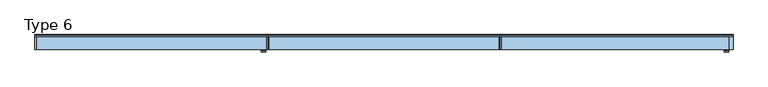
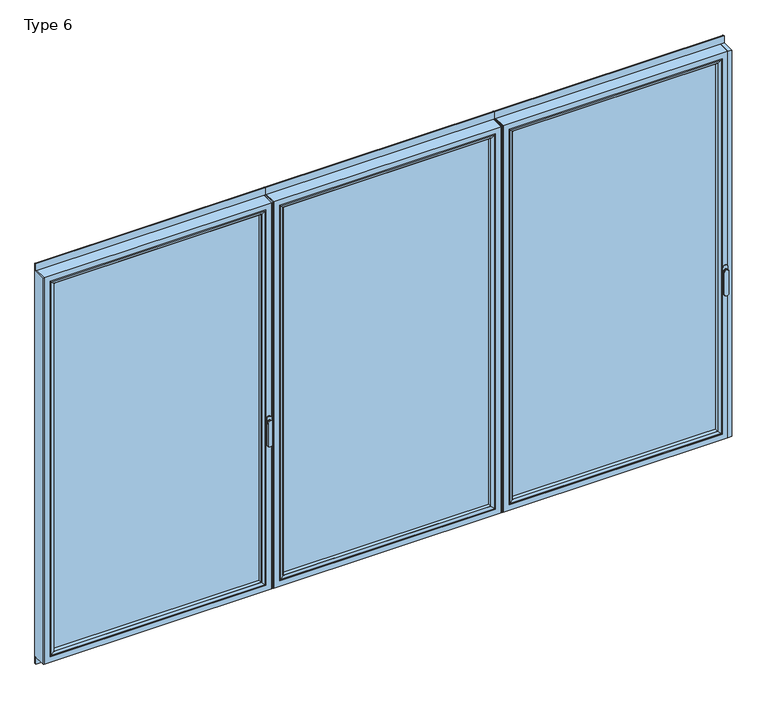
"""IFC4 building model written with IfcOpenShell, lengths in millimetres: window geometry, Type 6."""

from ifc_helpers import new_model, si_unit, point, frame, frame_2d, origin, place, context, project, spatial, polyline, circle_curve, ellipse_curve, trimmed, segment, composite_curve, outline, extrude, source, transform, mapped, element, save
from ifc_brep_helpers import plane_surface, cylinder_surface, extruded_surface, advanced_brep


def type_6_910dae35(model_context):
    return source(origin(), model_context, "Body", "SolidModel", [
        advanced_brep(
        [(-2571.3219146, -63.5, 1050.0), (-2547.344653, -63.5, 1050.0), (-2547.344653, -66.8965533, 1050.0), (-2571.3219146, -66.8965533, 1050.0), (-2571.3219146, -74.5, 1050.0), (-2571.3219146, -74.5, 918.6867153), (-2547.344653, -74.5, 918.6867153), (-2547.344653, -74.5, 1050.0), (-2547.344653, -66.8965533, 918.6867153), (-2571.3219146, -66.8965533, 918.6867153)],
        [
            (0, 1, circle_curve(frame((-2559.3332838, -63.5, 1050.0), z_axis=(0.0, 1.0, 0.0), x_axis=(1.0, 0.0, 0.0)), 11.9886308)),
            (1, 0, circle_curve(frame((-2559.3332838, -63.5, 1050.0), z_axis=(0.0, 1.0, 0.0), x_axis=(1.0, 0.0, 0.0)), 11.9886308)),
            (1, 2),
            (2, 3, circle_curve(frame((-2559.3332838, -66.8965533, 1050.0), z_axis=(0.0, 1.0, 0.0), x_axis=(1.0, 0.0, 0.0)), 11.9886308)),
            (3, 0),
            (3, 2, circle_curve(frame((-2559.3332838, -66.8965533, 1050.0), z_axis=(0.0, 1.0, 0.0), x_axis=(1.0, 0.0, 0.0)), 11.9886308)),
            (4, 5),
            (5, 6, ellipse_curve(frame((-2559.3332838, -74.5, 918.6867153), z_axis=(0.0, -1.0, 0.0), x_axis=(-1.0, 0.0, 0.0)), 11.9886308, 7.9050795)),
            (6, 7),
            (7, 4, circle_curve(frame((-2559.3332838, -74.5, 1050.0), z_axis=(0.0, -1.0, 0.0), x_axis=(1.0, 0.0, 0.0)), 11.9886308)),
            (2, 8),
            (8, 9, ellipse_curve(frame((-2559.3332838, -66.8965533, 918.6867153), z_axis=(0.0, 1.0, 0.0), x_axis=(-1.0, 0.0, 0.0)), 11.9886308, 7.9050795)),
            (9, 3),
            (4, 3),
            (9, 5),
            (8, 6),
            (2, 7),
        ],
        [
            plane_surface(frame((-2547.344653, -63.5, 1050.0), z_axis=(0.0, 1.0, 0.0), x_axis=(0.0, 0.0, -1.0))),
            cylinder_surface(frame((-2559.3332838, -63.5, 1050.0), z_axis=(0.0, -1.0, 0.0), x_axis=(1.0, 0.0, 0.0)), 11.9886308),
            plane_surface(frame((-2571.3219146, -74.5, 928.3382074), z_axis=(0.0, -1.0, 0.0), x_axis=(0.0, 0.0, -1.0))),
            plane_surface(frame((-2571.3219146, -66.8965533, 928.3382074), z_axis=(0.0, 1.0, 0.0), x_axis=(0.0, 0.0, 1.0))),
            plane_surface(frame((-2571.3219146, -74.5, 1050.0), z_axis=(-1.0, 0.0, 0.0), x_axis=(0.0, 1.0, 0.0))),
            extruded_surface(trimmed(ellipse_curve(frame((-2559.3332838, -59.2931066, 918.6867153), z_axis=(0.0, -1.0, 0.0), x_axis=(-1.0, 0.0, 0.0)), 11.9886308, 7.9050795), [point((-2571.3219146, -59.2931066, 918.6867153))], [point((-2547.344653, -59.2931066, 918.6867153))], True, "CARTESIAN"), (0.0, -7.603446699999992, 0.0), 7.603446699999992),
            plane_surface(frame((-2547.344653, -74.5, 918.6867153), z_axis=(1.0, 0.0, 0.0), x_axis=(0.0, 1.0, 0.0))),
            cylinder_surface(frame((-2559.3332838, -66.8965533, 1050.0), z_axis=(0.0, -1.0, 0.0), x_axis=(1.0, 0.0, 0.0)), 11.9886308),
        ],
        [
            (0, [[1, 2]]),
            (1, [[-2, 3, 4, 5]]),
            (1, [[-1, -5, 6, -3]]),
            (2, [[7, 8, 9, 10]]),
            (3, [[11, 12, 13, -4]]),
            (4, [[-7, 14, -13, 15]]),
            (5, [[-8, -15, -12, 16]]),
            (6, [[-9, -16, -11, 17]]),
            (7, [[-10, -17, -6, -14]]),
        ],
    ),
        extrude(outline(composite_curve([segment(polyline([(1068.75, -2573.3332838), (1031.25, -2573.3332838)]), True, "CONTINUOUS"), segment(trimmed(circle_curve(frame_2d((1031.25, -2559.3332838)), 14.0), [point((1031.25, -2573.3332838))], [point((1031.25, -2545.3332838))], False, "CARTESIAN"), True, "CONTINUOUS"), segment(polyline([(1031.25, -2545.3332838), (1068.75, -2545.3332838)]), True, "CONTINUOUS"), segment(trimmed(circle_curve(frame_2d((1068.75, -2559.3332838)), 14.0), [point((1068.75, -2545.3332838))], [point((1068.75, -2573.3332838))], False, "CARTESIAN"), True, "CONTINUOUS")], self_intersect=False)), frame((0.0, -63.5, 0.0), z_axis=(0.0, 1.0, 0.0), x_axis=(0.0, 0.0, 1.0)), (0.0, 0.0, 1.0), 3.5),
        extrude(outline(polyline([(-3805.9999505, 20.0), (-3799.9999505, 20.0), (-3799.9999505, -60.0), (-3805.9999505, -60.0), (-3805.9999505, 20.0)])), frame((0.0, 0.0, 66.0), z_axis=(0.0, 0.0, 1.0), x_axis=(1.0, 0.0, 0.0)), (0.0, 0.0, 1.0), 2258.0),
        extrude(outline(polyline([(-2537.3332838, 20.0), (-2537.3332838, -60.0), (-2543.3332838, -60.0), (-2543.3332838, 20.0), (-2537.3332838, 20.0)])), frame((0.0, 0.0, 66.0), z_axis=(0.0, 0.0, 1.0), x_axis=(1.0, 0.0, 0.0)), (0.0, 0.0, 1.0), 2258.0),
        advanced_brep(
        [(-3799.9999505, -60.0, 2324.0), (-3799.9999505, 20.0, 2324.0), (-3799.9999505, 20.0, 66.0), (-3799.9999505, -60.0, 66.0), (-2543.3332838, 20.0, 66.0), (-2543.3332838, -60.0, 66.0), (-2543.3332838, 20.0, 2324.0), (-2588.8329131, 20.0, 111.4996293), (-2588.8329131, 20.0, 2278.5003707), (-3754.5003212, 20.0, 2278.5003707), (-3754.5003212, 20.0, 111.4996293), (-2543.3332838, -60.0, 2324.0), (-3767.9999505, -60.0, 98.0), (-3767.9999505, -60.0, 2292.0), (-2575.3332838, -60.0, 2292.0), (-2575.3332838, -60.0, 98.0), (-3767.9999505, 3.9999997, 2292.0), (-3767.9999505, 3.9999997, 98.0), (-2575.3332838, 3.9999997, 98.0), (-2575.3332838, 3.9999997, 2292.0), (-3749.9999385, 3.9999997, 116.000012), (-3749.9999385, 3.9999997, 2273.999988), (-2593.3332958, 3.9999997, 2273.999988), (-2593.3332958, 3.9999997, 116.000012), (-3749.9999385, 15.4995565, 2273.999988), (-3749.9999385, 15.4995565, 116.000012), (-2593.3332958, 15.4995565, 116.000012), (-2593.3332958, 15.4995565, 2273.999988)],
        [
            (0, 1),
            (1, 2),
            (2, 3),
            (3, 0),
            (2, 4),
            (4, 5),
            (5, 3),
            (1, 6),
            (6, 4),
            (7, 8),
            (8, 9),
            (9, 10),
            (10, 7),
            (6, 11),
            (11, 5),
            (11, 0),
            (12, 13),
            (13, 14),
            (14, 15),
            (15, 12),
            (16, 13),
            (12, 17),
            (17, 16),
            (15, 18),
            (18, 17),
            (14, 19),
            (19, 18),
            (19, 16),
            (20, 21),
            (21, 22),
            (22, 23),
            (23, 20),
            (24, 21),
            (20, 25),
            (25, 24),
            (23, 26),
            (26, 25),
            (22, 27),
            (27, 26),
            (10, 25, ellipse_curve(frame((-3754.5003212, 15.4995565, 111.4996293), z_axis=(0.7071067811865475, 0.0, -0.7071067811865475), x_axis=(-0.7071067811865476, 0.0, -0.7071067811865474)), 6.3645023, 4.5003827)),
            (26, 7, ellipse_curve(frame((-2588.8329131, 15.4995565, 111.4996293), z_axis=(-0.7071067811865475, 0.0, -0.7071067811865475), x_axis=(-0.7071067811865476, 0.0, 0.7071067811865474)), 6.3645023, 4.5003827)),
            (9, 24, ellipse_curve(frame((-3754.5003212, 15.4995565, 2278.5003707), z_axis=(-0.7071067811865475, 0.0, -0.7071067811865475), x_axis=(-0.7071067811865474, 0.0, 0.7071067811865476)), 6.3645023, 4.5003827)),
            (27, 8, ellipse_curve(frame((-2588.8329131, 15.4995565, 2278.5003707), z_axis=(0.7071067811865475, 0.0, -0.7071067811865475), x_axis=(-0.7071067811865474, 0.0, -0.7071067811865476)), 6.3645023, 4.5003827)),
            (24, 27),
        ],
        [
            plane_surface(frame((-3799.9999505, 20.0, 2324.0), z_axis=(-1.0, 0.0, 0.0), x_axis=(0.0, 0.0, -1.0))),
            plane_surface(frame((-3799.9999505, 20.0, 66.0), z_axis=(0.0, 0.0, -1.0), x_axis=(1.0, 0.0, 0.0))),
            plane_surface(frame((-3754.5003212, 20.0, 2278.5003707), z_axis=(0.0, 1.0, 0.0), x_axis=(0.0, 0.0, -1.0))),
            plane_surface(frame((-2543.3332838, 20.0, 66.0), z_axis=(1.0, 0.0, 0.0), x_axis=(0.0, 0.0, 1.0))),
            plane_surface(frame((-3799.9999505, -60.0, 2324.0), z_axis=(0.0, -1.0, 0.0), x_axis=(0.0, 0.0, -1.0))),
            plane_surface(frame((-3767.9999505, -60.0, 2292.0), z_axis=(1.0, 0.0, 0.0), x_axis=(0.0, 0.0, -1.0))),
            plane_surface(frame((-3767.9999505, -60.0, 98.0), z_axis=(0.0, 0.0, 1.0), x_axis=(1.0, 0.0, 0.0))),
            plane_surface(frame((-2575.3332838, -60.0, 98.0), z_axis=(-1.0, 0.0, 0.0), x_axis=(0.0, 0.0, 1.0))),
            plane_surface(frame((-3767.9999505, 3.9999997, 2292.0), z_axis=(0.0, -1.0, 0.0), x_axis=(0.0, 0.0, -1.0))),
            plane_surface(frame((-3749.9999385, 3.9999997, 2273.999988), z_axis=(1.0, 0.0, 0.0), x_axis=(0.0, 0.0, -1.0))),
            plane_surface(frame((-3749.9999385, 3.9999997, 116.000012), z_axis=(0.0, 0.0, 1.0), x_axis=(1.0, 0.0, 0.0))),
            plane_surface(frame((-2593.3332958, 3.9999997, 116.000012), z_axis=(-1.0, 0.0, 0.0), x_axis=(0.0, 0.0, 1.0))),
            cylinder_surface(frame((-3805.9999505, 15.4995565, 111.4996293), z_axis=(-1.0, 0.0, 0.0), x_axis=(0.0, -1.0, 0.0)), 4.5003827),
            cylinder_surface(frame((-3754.5003212, 15.4995565, 2330.0), z_axis=(0.0, 0.0, 1.0), x_axis=(0.0, -1.0, 0.0)), 4.5003827),
            cylinder_surface(frame((-2588.8329131, 15.4995565, 60.0), z_axis=(0.0, 0.0, -1.0), x_axis=(0.0, -1.0, 0.0)), 4.5003827),
            plane_surface(frame((-2543.3332838, 20.0, 2324.0), z_axis=(0.0, 0.0, 1.0), x_axis=(-1.0, 0.0, 0.0))),
            plane_surface(frame((-2575.3332838, -60.0, 2292.0), z_axis=(0.0, 0.0, -1.0), x_axis=(-1.0, 0.0, 0.0))),
            plane_surface(frame((-2593.3332958, 3.9999997, 2273.999988), z_axis=(0.0, 0.0, -1.0), x_axis=(-1.0, 0.0, 0.0))),
            cylinder_surface(frame((-2537.3332838, 15.4995565, 2278.5003707), z_axis=(1.0, 0.0, 0.0), x_axis=(0.0, -1.0, 0.0)), 4.5003827),
        ],
        [
            (0, [[1, 2, 3, 4]]),
            (1, [[-3, 5, 6, 7]]),
            (2, [[-2, 8, 9, -5], [10, 11, 12, 13]]),
            (3, [[-6, -9, 14, 15]]),
            (4, [[-15, 16, -4, -7], [17, 18, 19, 20]]),
            (5, [[21, -17, 22, 23]]),
            (6, [[-22, -20, 24, 25]]),
            (7, [[-24, -19, 26, 27]]),
            (8, [[-27, 28, -23, -25], [29, 30, 31, 32]]),
            (9, [[33, -29, 34, 35]]),
            (10, [[-34, -32, 36, 37]]),
            (11, [[-36, -31, 38, 39]]),
            (12, [[40, -37, 41, -13]]),
            (13, [[42, -35, -40, -12]]),
            (14, [[-41, -39, 43, -10]]),
            (15, [[-14, -8, -1, -16]]),
            (16, [[-26, -18, -21, -28]]),
            (17, [[-38, -30, -33, 44]]),
            (18, [[-43, -44, -42, -11]]),
        ],
    ),
        extrude(outline(polyline([(-3767.9996333, 3.9999997), (-2575.333601, 3.9999997), (-2575.333601, -34.0000003), (-3767.9996333, -34.0000003), (-3767.9996333, 3.9999997)])), frame((0.0, 0.0, 98.0003172), z_axis=(0.0, 0.0, 1.0), x_axis=(1.0, 0.0, 0.0)), (0.0, 0.0, 1.0), 2193.9993657),
        advanced_brep(
        [(-2597.3331737, -54.5552044, 2270.0001101), (-2597.3331737, -34.0000003, 2270.0001101), (-2597.3331737, -34.0000003, 119.9998899), (-2597.3331737, -54.5552044, 119.9998899), (-2575.333601, -34.0000003, 2291.9996828), (-2575.333601, -34.0000003, 98.0003172), (-3767.9996333, -34.0000003, 98.0003172), (-3767.9996333, -34.0000003, 2291.9996828), (-3746.0000606, -34.0000003, 2270.0001101), (-3746.0000606, -34.0000003, 119.9998899), (-3746.0000606, -54.5552044, 119.9998899), (-2596.6236303, -55.8045072, 2270.7096535), (-2596.6236303, -55.8045072, 119.2903465), (-3746.709604, -55.8045072, 119.2903465), (-2581.3335399, -60.0, 2285.9997439), (-2581.3335399, -60.0, 104.0002561), (-3761.9996944, -60.0, 104.0002561), (-3767.9996333, -60.0, 2291.9996828), (-3767.9996333, -60.0, 98.0003172), (-2575.333601, -60.0, 98.0003172), (-2575.333601, -60.0, 2291.9996828), (-3761.9996944, -60.0, 2285.9997439), (-3746.0000606, -54.5552044, 2270.0001101), (-3746.709604, -55.8045072, 2270.7096535)],
        [
            (0, 1),
            (1, 2),
            (2, 3),
            (3, 0),
            (4, 5),
            (5, 6),
            (6, 7),
            (7, 4),
            (8, 9),
            (9, 2),
            (1, 8),
            (9, 10),
            (10, 3),
            (11, 0, ellipse_curve(frame((-2595.8785698, -54.5552044, 2271.4547141), z_axis=(0.7071067811865475, 0.0, -0.7071067811865475), x_axis=(0.7071067811865474, 0.0, 0.7071067811865476)), 2.0571207, 1.454604)),
            (3, 12, ellipse_curve(frame((-2595.8785698, -54.5552044, 118.5452859), z_axis=(0.7071067811865475, 0.0, 0.7071067811865475), x_axis=(-0.7071067811865474, 0.0, 0.7071067811865476)), 2.0571207, 1.454604)),
            (12, 11),
            (10, 13, ellipse_curve(frame((-3747.4546645, -54.5552044, 118.5452859), z_axis=(0.7071067811865475, 0.0, -0.7071067811865475), x_axis=(0.7071067811865476, 0.0, 0.7071067811865474)), 2.0571207, 1.454604)),
            (13, 12),
            (14, 11, ellipse_curve(frame((-2581.3974755, -30.2735922, 2285.9358083), z_axis=(0.7071067811865475, 0.0, -0.7071067811865475), x_axis=(0.7071067811865474, 0.0, 0.7071067811865476)), 42.0395863, 29.7264765)),
            (12, 15, ellipse_curve(frame((-2581.3974755, -30.2735922, 104.0641917), z_axis=(0.7071067811865475, 0.0, 0.7071067811865475), x_axis=(-0.7071067811865474, 0.0, 0.7071067811865476)), 42.0395863, 29.7264765)),
            (15, 14),
            (13, 16, ellipse_curve(frame((-3761.9357588, -30.2735922, 104.0641917), z_axis=(0.7071067811865475, 0.0, -0.7071067811865475), x_axis=(0.7071067811865476, 0.0, 0.7071067811865474)), 42.0395863, 29.7264765)),
            (16, 15),
            (17, 18),
            (18, 19),
            (19, 20),
            (20, 17),
            (16, 21),
            (21, 14),
            (4, 20),
            (19, 5),
            (18, 6),
            (8, 22),
            (22, 10),
            (22, 23, ellipse_curve(frame((-3747.4546645, -54.5552044, 2271.4547141), z_axis=(-0.7071067811865475, 0.0, -0.7071067811865475), x_axis=(0.7071067811865474, 0.0, -0.7071067811865476)), 2.0571207, 1.454604)),
            (23, 13),
            (23, 21, ellipse_curve(frame((-3761.9357588, -30.2735922, 2285.9358083), z_axis=(-0.7071067811865475, 0.0, -0.7071067811865475), x_axis=(0.7071067811865474, 0.0, -0.7071067811865476)), 42.0395863, 29.7264765)),
            (17, 7),
            (0, 22),
            (11, 23),
        ],
        [
            plane_surface(frame((-2597.3331737, -34.0000003, 2270.0001101), z_axis=(-1.0, 0.0, 0.0), x_axis=(0.0, 0.0, -1.0))),
            plane_surface(frame((-3767.9996333, -34.0000003, 98.0003172), z_axis=(0.0, 1.0, 0.0), x_axis=(0.0, 0.0, 1.0))),
            plane_surface(frame((-2597.3331737, -34.0000003, 119.9998899), z_axis=(0.0, 0.0, 1.0), x_axis=(-1.0, 0.0, 0.0))),
            cylinder_surface(frame((-2595.8785698, -54.5552044, 2273.999988), z_axis=(0.0, 0.0, 1.0), x_axis=(1.0, 0.0, 0.0)), 1.454604),
            cylinder_surface(frame((-2593.3332958, -54.5552044, 118.5452859), z_axis=(1.0, 0.0, 0.0), x_axis=(0.0, 0.0, -1.0)), 1.454604),
            cylinder_surface(frame((-2581.3974755, -30.2735922, 2273.999988), z_axis=(0.0, 0.0, 1.0), x_axis=(1.0, 0.0, 0.0)), 29.7264765),
            cylinder_surface(frame((-2593.3332958, -30.2735922, 104.0641917), z_axis=(1.0, 0.0, 0.0), x_axis=(0.0, 0.0, -1.0)), 29.7264765),
            plane_surface(frame((-3761.9996944, -60.0, 104.0002561), z_axis=(0.0, -1.0, 0.0), x_axis=(0.0, 0.0, 1.0))),
            plane_surface(frame((-2575.333601, -60.0, 2291.9996828), z_axis=(1.0, 0.0, 0.0), x_axis=(0.0, 0.0, -1.0))),
            plane_surface(frame((-2575.333601, -60.0, 98.0003172), z_axis=(0.0, 0.0, -1.0), x_axis=(-1.0, 0.0, 0.0))),
            plane_surface(frame((-3746.0000606, -34.0000003, 119.9998899), z_axis=(1.0, 0.0, 0.0), x_axis=(0.0, 0.0, 1.0))),
            cylinder_surface(frame((-3747.4546645, -54.5552044, 116.000012), z_axis=(0.0, 0.0, -1.0), x_axis=(-1.0, 0.0, 0.0)), 1.454604),
            cylinder_surface(frame((-3761.9357588, -30.2735922, 116.000012), z_axis=(0.0, 0.0, -1.0), x_axis=(-1.0, 0.0, 0.0)), 29.7264765),
            plane_surface(frame((-3767.9996333, -60.0, 98.0003172), z_axis=(-1.0, 0.0, 0.0), x_axis=(0.0, 0.0, 1.0))),
            plane_surface(frame((-3746.0000606, -34.0000003, 2270.0001101), z_axis=(0.0, 0.0, -1.0), x_axis=(1.0, 0.0, 0.0))),
            cylinder_surface(frame((-3749.9999385, -54.5552044, 2271.4547141), z_axis=(-1.0, 0.0, 0.0), x_axis=(0.0, 0.0, 1.0)), 1.454604),
            cylinder_surface(frame((-3749.9999385, -30.2735922, 2285.9358083), z_axis=(-1.0, 0.0, 0.0), x_axis=(0.0, 0.0, 1.0)), 29.7264765),
            plane_surface(frame((-3767.9996333, -60.0, 2291.9996828), z_axis=(0.0, 0.0, 1.0), x_axis=(1.0, 0.0, 0.0))),
        ],
        [
            (0, [[1, 2, 3, 4]]),
            (1, [[5, 6, 7, 8], [9, 10, -2, 11]]),
            (2, [[-3, -10, 12, 13]]),
            (3, [[14, -4, 15, 16]]),
            (4, [[-15, -13, 17, 18]]),
            (5, [[19, -16, 20, 21]]),
            (6, [[-20, -18, 22, 23]]),
            (7, [[24, 25, 26, 27], [-21, -23, 28, 29]]),
            (8, [[30, -26, 31, -5]]),
            (9, [[-31, -25, 32, -6]]),
            (10, [[-12, -9, 33, 34]]),
            (11, [[-17, -34, 35, 36]]),
            (12, [[-22, -36, 37, -28]]),
            (13, [[-32, -24, 38, -7]]),
            (14, [[-33, -11, -1, 39]]),
            (15, [[-35, -39, -14, 40]]),
            (16, [[-37, -40, -19, -29]]),
            (17, [[-38, -27, -30, -8]]),
        ],
    ),
        extrude(outline(composite_curve([segment(polyline([(20.0, 2362.5), (20.0, 2324.0), (10.0, 2324.0), (10.0, 2365.0), (17.5, 2365.0)]), True, "CONTINUOUS"), segment(trimmed(circle_curve(frame_2d((17.5, 2362.5)), 2.5), [point((17.5, 2365.0))], [point((20.0, 2362.5))], False, "CARTESIAN"), True, "CONTINUOUS")], self_intersect=False)), frame((-3805.9999505, 0.0, 0.0), z_axis=(1.0, 0.0, 0.0), x_axis=(0.0, 1.0, 0.0)), (0.0, 0.0, 1.0), 1268.6666667),
        extrude(outline(composite_curve([segment(trimmed(circle_curve(frame_2d((17.5, 27.5)), 2.5), [point((20.0, 27.5))], [point((17.5, 25.0))], False, "CARTESIAN"), True, "CONTINUOUS"), segment(polyline([(17.5, 25.0), (10.0, 25.0), (10.0, 66.0), (20.0, 66.0), (20.0, 27.5)]), True, "CONTINUOUS")], self_intersect=False)), frame((-3805.9999505, 0.0, 0.0), z_axis=(1.0, 0.0, 0.0), x_axis=(0.0, 1.0, 0.0)), (0.0, 0.0, 1.0), 1268.6666667),
        advanced_brep(
        [(-47.9885978, -63.5, 1050.0), (-24.0113362, -63.5, 1050.0), (-24.0113362, -66.8965533, 1050.0), (-47.9885978, -66.8965533, 1050.0), (-47.9885978, -74.5, 1050.0), (-47.9885978, -74.5, 918.6867153), (-24.0113362, -74.5, 918.6867153), (-24.0113362, -74.5, 1050.0), (-24.0113362, -66.8965533, 918.6867153), (-47.9885978, -66.8965533, 918.6867153)],
        [
            (0, 1, circle_curve(frame((-35.999967, -63.5, 1050.0), z_axis=(0.0, 1.0, 0.0), x_axis=(1.0, 0.0, 0.0)), 11.9886308)),
            (1, 0, circle_curve(frame((-35.999967, -63.5, 1050.0), z_axis=(0.0, 1.0, 0.0), x_axis=(1.0, 0.0, 0.0)), 11.9886308)),
            (1, 2),
            (2, 3, circle_curve(frame((-35.999967, -66.8965533, 1050.0), z_axis=(0.0, 1.0, 0.0), x_axis=(1.0, 0.0, 0.0)), 11.9886308)),
            (3, 0),
            (3, 2, circle_curve(frame((-35.999967, -66.8965533, 1050.0), z_axis=(0.0, 1.0, 0.0), x_axis=(1.0, 0.0, 0.0)), 11.9886308)),
            (4, 5),
            (5, 6, ellipse_curve(frame((-35.999967, -74.5, 918.6867153), z_axis=(0.0, -1.0, 0.0), x_axis=(-1.0, 0.0, 0.0)), 11.9886308, 7.9050795)),
            (6, 7),
            (7, 4, circle_curve(frame((-35.999967, -74.5, 1050.0), z_axis=(0.0, -1.0, 0.0), x_axis=(1.0, 0.0, 0.0)), 11.9886308)),
            (2, 8),
            (8, 9, ellipse_curve(frame((-35.999967, -66.8965533, 918.6867153), z_axis=(0.0, 1.0, 0.0), x_axis=(-1.0, 0.0, 0.0)), 11.9886308, 7.9050795)),
            (9, 3),
            (4, 3),
            (9, 5),
            (8, 6),
            (2, 7),
        ],
        [
            plane_surface(frame((-24.0113362, -63.5, 1050.0), z_axis=(0.0, 1.0, 0.0), x_axis=(0.0, 0.0, -1.0))),
            cylinder_surface(frame((-35.999967, -63.5, 1050.0), z_axis=(0.0, -1.0, 0.0), x_axis=(1.0, 0.0, 0.0)), 11.9886308),
            plane_surface(frame((-47.9885978, -74.5, 928.3382074), z_axis=(0.0, -1.0, 0.0), x_axis=(0.0, 0.0, -1.0))),
            plane_surface(frame((-47.9885978, -66.8965533, 928.3382074), z_axis=(0.0, 1.0, 0.0), x_axis=(0.0, 0.0, 1.0))),
            plane_surface(frame((-47.9885978, -74.5, 1050.0), z_axis=(-1.0, 0.0, 0.0), x_axis=(0.0, 1.0, 0.0))),
            extruded_surface(trimmed(ellipse_curve(frame((-35.999967, -59.2931066, 918.6867153), z_axis=(0.0, -1.0, 0.0), x_axis=(-1.0, 0.0, 0.0)), 11.9886308, 7.9050795), [point((-47.9885978, -59.2931066, 918.6867153))], [point((-24.0113362, -59.2931066, 918.6867153))], True, "CARTESIAN"), (0.0, -7.603446699999992, 0.0), 7.603446699999992),
            plane_surface(frame((-24.0113362, -74.5, 918.6867153), z_axis=(1.0, 0.0, 0.0), x_axis=(0.0, 1.0, 0.0))),
            cylinder_surface(frame((-35.999967, -66.8965533, 1050.0), z_axis=(0.0, -1.0, 0.0), x_axis=(1.0, 0.0, 0.0)), 11.9886308),
        ],
        [
            (0, [[1, 2]]),
            (1, [[-2, 3, 4, 5]]),
            (1, [[-1, -5, 6, -3]]),
            (2, [[7, 8, 9, 10]]),
            (3, [[11, 12, 13, -4]]),
            (4, [[-7, 14, -13, 15]]),
            (5, [[-8, -15, -12, 16]]),
            (6, [[-9, -16, -11, 17]]),
            (7, [[-10, -17, -6, -14]]),
        ],
    ),
        extrude(outline(composite_curve([segment(polyline([(1068.75, -49.999967), (1031.25, -49.999967)]), True, "CONTINUOUS"), segment(trimmed(circle_curve(frame_2d((1031.25, -35.999967)), 14.0), [point((1031.25, -49.999967))], [point((1031.25, -21.999967))], False, "CARTESIAN"), True, "CONTINUOUS"), segment(polyline([(1031.25, -21.999967), (1068.75, -21.999967)]), True, "CONTINUOUS"), segment(trimmed(circle_curve(frame_2d((1068.75, -35.999967)), 14.0), [point((1068.75, -21.999967))], [point((1068.75, -49.999967))], False, "CARTESIAN"), True, "CONTINUOUS")], self_intersect=False)), frame((0.0, -63.5, 0.0), z_axis=(0.0, 1.0, 0.0), x_axis=(0.0, 0.0, 1.0)), (0.0, 0.0, 1.0), 3.5),
        extrude(outline(polyline([(-1268.6666337, 20.0), (-1262.6666337, 20.0), (-1262.6666337, -60.0), (-1268.6666337, -60.0), (-1268.6666337, 20.0)])), frame((0.0, 0.0, 66.0), z_axis=(0.0, 0.0, 1.0), x_axis=(1.0, 0.0, 0.0)), (0.0, 0.0, 1.0), 2258.0),
        extrude(outline(polyline([(3.3e-05, 20.0), (3.3e-05, -60.0), (-19.999967, -60.0), (-19.999967, 20.0), (3.3e-05, 20.0)])), frame((0.0, 0.0, 66.0), z_axis=(0.0, 0.0, 1.0), x_axis=(1.0, 0.0, 0.0)), (0.0, 0.0, 1.0), 2258.0),
        advanced_brep(
        [(-1262.6666337, -60.0, 2324.0), (-1262.6666337, 20.0, 2324.0), (-1262.6666337, 20.0, 66.0), (-1262.6666337, -60.0, 66.0), (-19.999967, 20.0, 66.0), (-19.999967, -60.0, 66.0), (-19.999967, 20.0, 2324.0), (-65.4995963, 20.0, 111.4996293), (-65.4995963, 20.0, 2278.5003707), (-1217.1670044, 20.0, 2278.5003707), (-1217.1670044, 20.0, 111.4996293), (-19.999967, -60.0, 2324.0), (-1230.6666337, -60.0, 98.0), (-1230.6666337, -60.0, 2292.0), (-51.999967, -60.0, 2292.0), (-51.999967, -60.0, 98.0), (-1230.6666337, 3.9999997, 2292.0), (-1230.6666337, 3.9999997, 98.0), (-51.999967, 3.9999997, 98.0), (-51.999967, 3.9999997, 2292.0), (-1212.6666217, 3.9999997, 116.000012), (-1212.6666217, 3.9999997, 2273.999988), (-69.9999789, 3.9999997, 2273.999988), (-69.9999789, 3.9999997, 116.000012), (-1212.6666217, 15.4995565, 2273.999988), (-1212.6666217, 15.4995565, 116.000012), (-69.9999789, 15.4995565, 116.000012), (-69.9999789, 15.4995565, 2273.999988)],
        [
            (0, 1),
            (1, 2),
            (2, 3),
            (3, 0),
            (2, 4),
            (4, 5),
            (5, 3),
            (1, 6),
            (6, 4),
            (7, 8),
            (8, 9),
            (9, 10),
            (10, 7),
            (6, 11),
            (11, 5),
            (11, 0),
            (12, 13),
            (13, 14),
            (14, 15),
            (15, 12),
            (16, 13),
            (12, 17),
            (17, 16),
            (15, 18),
            (18, 17),
            (14, 19),
            (19, 18),
            (19, 16),
            (20, 21),
            (21, 22),
            (22, 23),
            (23, 20),
            (24, 21),
            (20, 25),
            (25, 24),
            (23, 26),
            (26, 25),
            (22, 27),
            (27, 26),
            (10, 25, ellipse_curve(frame((-1217.1670044, 15.4995565, 111.4996293), z_axis=(0.7071067811865475, 0.0, -0.7071067811865475), x_axis=(-0.7071067811865476, 0.0, -0.7071067811865474)), 6.3645023, 4.5003827)),
            (26, 7, ellipse_curve(frame((-65.4995963, 15.4995565, 111.4996293), z_axis=(-0.7071067811865475, 0.0, -0.7071067811865475), x_axis=(-0.7071067811865476, 0.0, 0.7071067811865474)), 6.3645023, 4.5003827)),
            (9, 24, ellipse_curve(frame((-1217.1670044, 15.4995565, 2278.5003707), z_axis=(-0.7071067811865475, 0.0, -0.7071067811865475), x_axis=(-0.7071067811865474, 0.0, 0.7071067811865476)), 6.3645023, 4.5003827)),
            (27, 8, ellipse_curve(frame((-65.4995963, 15.4995565, 2278.5003707), z_axis=(0.7071067811865475, 0.0, -0.7071067811865475), x_axis=(-0.7071067811865474, 0.0, -0.7071067811865476)), 6.3645023, 4.5003827)),
            (24, 27),
        ],
        [
            plane_surface(frame((-1262.6666337, 20.0, 2324.0), z_axis=(-1.0, 0.0, 0.0), x_axis=(0.0, 0.0, -1.0))),
            plane_surface(frame((-1262.6666337, 20.0, 66.0), z_axis=(0.0, 0.0, -1.0), x_axis=(1.0, 0.0, 0.0))),
            plane_surface(frame((-1217.1670044, 20.0, 2278.5003707), z_axis=(0.0, 1.0, 0.0), x_axis=(0.0, 0.0, -1.0))),
            plane_surface(frame((-19.999967, 20.0, 66.0), z_axis=(1.0, 0.0, 0.0), x_axis=(0.0, 0.0, 1.0))),
            plane_surface(frame((-1262.6666337, -60.0, 2324.0), z_axis=(0.0, -1.0, 0.0), x_axis=(0.0, 0.0, -1.0))),
            plane_surface(frame((-1230.6666337, -60.0, 2292.0), z_axis=(1.0, 0.0, 0.0), x_axis=(0.0, 0.0, -1.0))),
            plane_surface(frame((-1230.6666337, -60.0, 98.0), z_axis=(0.0, 0.0, 1.0), x_axis=(1.0, 0.0, 0.0))),
            plane_surface(frame((-51.999967, -60.0, 98.0), z_axis=(-1.0, 0.0, 0.0), x_axis=(0.0, 0.0, 1.0))),
            plane_surface(frame((-1230.6666337, 3.9999997, 2292.0), z_axis=(0.0, -1.0, 0.0), x_axis=(0.0, 0.0, -1.0))),
            plane_surface(frame((-1212.6666217, 3.9999997, 2273.999988), z_axis=(1.0, 0.0, 0.0), x_axis=(0.0, 0.0, -1.0))),
            plane_surface(frame((-1212.6666217, 3.9999997, 116.000012), z_axis=(0.0, 0.0, 1.0), x_axis=(1.0, 0.0, 0.0))),
            plane_surface(frame((-69.9999789, 3.9999997, 116.000012), z_axis=(-1.0, 0.0, 0.0), x_axis=(0.0, 0.0, 1.0))),
            cylinder_surface(frame((-1268.6666337, 15.4995565, 111.4996293), z_axis=(-1.0, 0.0, 0.0), x_axis=(0.0, -1.0, 0.0)), 4.5003827),
            cylinder_surface(frame((-1217.1670044, 15.4995565, 2330.0), z_axis=(0.0, 0.0, 1.0), x_axis=(0.0, -1.0, 0.0)), 4.5003827),
            cylinder_surface(frame((-65.4995963, 15.4995565, 60.0), z_axis=(0.0, 0.0, -1.0), x_axis=(0.0, -1.0, 0.0)), 4.5003827),
            plane_surface(frame((-19.999967, 20.0, 2324.0), z_axis=(0.0, 0.0, 1.0), x_axis=(-1.0, 0.0, 0.0))),
            plane_surface(frame((-51.999967, -60.0, 2292.0), z_axis=(0.0, 0.0, -1.0), x_axis=(-1.0, 0.0, 0.0))),
            plane_surface(frame((-69.9999789, 3.9999997, 2273.999988), z_axis=(0.0, 0.0, -1.0), x_axis=(-1.0, 0.0, 0.0))),
            cylinder_surface(frame((-13.999967, 15.4995565, 2278.5003707), z_axis=(1.0, 0.0, 0.0), x_axis=(0.0, -1.0, 0.0)), 4.5003827),
        ],
        [
            (0, [[1, 2, 3, 4]]),
            (1, [[-3, 5, 6, 7]]),
            (2, [[-2, 8, 9, -5], [10, 11, 12, 13]]),
            (3, [[-6, -9, 14, 15]]),
            (4, [[-15, 16, -4, -7], [17, 18, 19, 20]]),
            (5, [[21, -17, 22, 23]]),
            (6, [[-22, -20, 24, 25]]),
            (7, [[-24, -19, 26, 27]]),
            (8, [[-27, 28, -23, -25], [29, 30, 31, 32]]),
            (9, [[33, -29, 34, 35]]),
            (10, [[-34, -32, 36, 37]]),
            (11, [[-36, -31, 38, 39]]),
            (12, [[40, -37, 41, -13]]),
            (13, [[42, -35, -40, -12]]),
            (14, [[-41, -39, 43, -10]]),
            (15, [[-14, -8, -1, -16]]),
            (16, [[-26, -18, -21, -28]]),
            (17, [[-38, -30, -33, 44]]),
            (18, [[-43, -44, -42, -11]]),
        ],
    ),
        extrude(outline(polyline([(-1230.6663165, 3.9999997), (-52.0002841, 3.9999997), (-52.0002841, -34.0000003), (-1230.6663165, -34.0000003), (-1230.6663165, 3.9999997)])), frame((0.0, 0.0, 98.0003172), z_axis=(0.0, 0.0, 1.0), x_axis=(1.0, 0.0, 0.0)), (0.0, 0.0, 1.0), 2193.9993657),
        advanced_brep(
        [(-73.9998569, -54.5552044, 2270.0001101), (-73.9998569, -34.0000003, 2270.0001101), (-73.9998569, -34.0000003, 119.9998899), (-73.9998569, -54.5552044, 119.9998899), (-52.0002841, -34.0000003, 2291.9996828), (-52.0002841, -34.0000003, 98.0003172), (-1230.6663165, -34.0000003, 98.0003172), (-1230.6663165, -34.0000003, 2291.9996828), (-1208.6667437, -34.0000003, 2270.0001101), (-1208.6667437, -34.0000003, 119.9998899), (-1208.6667437, -54.5552044, 119.9998899), (-73.2903135, -55.8045072, 2270.7096535), (-73.2903135, -55.8045072, 119.2903465), (-1209.3762872, -55.8045072, 119.2903465), (-58.0002231, -60.0, 2285.9997439), (-58.0002231, -60.0, 104.0002561), (-1224.6663775, -60.0, 104.0002561), (-1230.6663165, -60.0, 2291.9996828), (-1230.6663165, -60.0, 98.0003172), (-52.0002841, -60.0, 98.0003172), (-52.0002841, -60.0, 2291.9996828), (-1224.6663775, -60.0, 2285.9997439), (-1208.6667437, -54.5552044, 2270.0001101), (-1209.3762872, -55.8045072, 2270.7096535)],
        [
            (0, 1),
            (1, 2),
            (2, 3),
            (3, 0),
            (4, 5),
            (5, 6),
            (6, 7),
            (7, 4),
            (8, 9),
            (9, 2),
            (1, 8),
            (9, 10),
            (10, 3),
            (11, 0, ellipse_curve(frame((-72.5452529, -54.5552044, 2271.4547141), z_axis=(0.7071067811865475, 0.0, -0.7071067811865475), x_axis=(0.7071067811865474, 0.0, 0.7071067811865476)), 2.0571207, 1.454604)),
            (3, 12, ellipse_curve(frame((-72.5452529, -54.5552044, 118.5452859), z_axis=(0.7071067811865475, 0.0, 0.7071067811865475), x_axis=(-0.7071067811865474, 0.0, 0.7071067811865476)), 2.0571207, 1.454604)),
            (12, 11),
            (10, 13, ellipse_curve(frame((-1210.1213477, -54.5552044, 118.5452859), z_axis=(0.7071067811865475, 0.0, -0.7071067811865475), x_axis=(0.7071067811865476, 0.0, 0.7071067811865474)), 2.0571207, 1.454604)),
            (13, 12),
            (14, 11, ellipse_curve(frame((-58.0641587, -30.2735922, 2285.9358083), z_axis=(0.7071067811865475, 0.0, -0.7071067811865475), x_axis=(0.7071067811865474, 0.0, 0.7071067811865476)), 42.0395863, 29.7264765)),
            (12, 15, ellipse_curve(frame((-58.0641587, -30.2735922, 104.0641917), z_axis=(0.7071067811865475, 0.0, 0.7071067811865475), x_axis=(-0.7071067811865474, 0.0, 0.7071067811865476)), 42.0395863, 29.7264765)),
            (15, 14),
            (13, 16, ellipse_curve(frame((-1224.6024419, -30.2735922, 104.0641917), z_axis=(0.7071067811865475, 0.0, -0.7071067811865475), x_axis=(0.7071067811865476, 0.0, 0.7071067811865474)), 42.0395863, 29.7264765)),
            (16, 15),
            (17, 18),
            (18, 19),
            (19, 20),
            (20, 17),
            (16, 21),
            (21, 14),
            (4, 20),
            (19, 5),
            (18, 6),
            (8, 22),
            (22, 10),
            (22, 23, ellipse_curve(frame((-1210.1213477, -54.5552044, 2271.4547141), z_axis=(-0.7071067811865475, 0.0, -0.7071067811865475), x_axis=(0.7071067811865474, 0.0, -0.7071067811865476)), 2.0571207, 1.454604)),
            (23, 13),
            (23, 21, ellipse_curve(frame((-1224.6024419, -30.2735922, 2285.9358083), z_axis=(-0.7071067811865475, 0.0, -0.7071067811865475), x_axis=(0.7071067811865474, 0.0, -0.7071067811865476)), 42.0395863, 29.7264765)),
            (17, 7),
            (0, 22),
            (11, 23),
        ],
        [
            plane_surface(frame((-73.9998569, -34.0000003, 2270.0001101), z_axis=(-1.0, 0.0, 0.0), x_axis=(0.0, 0.0, -1.0))),
            plane_surface(frame((-1230.6663165, -34.0000003, 98.0003172), z_axis=(0.0, 1.0, 0.0), x_axis=(0.0, 0.0, 1.0))),
            plane_surface(frame((-73.9998569, -34.0000003, 119.9998899), z_axis=(0.0, 0.0, 1.0), x_axis=(-1.0, 0.0, 0.0))),
            cylinder_surface(frame((-72.5452529, -54.5552044, 2273.999988), z_axis=(0.0, 0.0, 1.0), x_axis=(1.0, 0.0, 0.0)), 1.454604),
            cylinder_surface(frame((-69.9999789, -54.5552044, 118.5452859), z_axis=(1.0, 0.0, 0.0), x_axis=(0.0, 0.0, -1.0)), 1.454604),
            cylinder_surface(frame((-58.0641587, -30.2735922, 2273.999988), z_axis=(0.0, 0.0, 1.0), x_axis=(1.0, 0.0, 0.0)), 29.7264765),
            cylinder_surface(frame((-69.9999789, -30.2735922, 104.0641917), z_axis=(1.0, 0.0, 0.0), x_axis=(0.0, 0.0, -1.0)), 29.7264765),
            plane_surface(frame((-1224.6663775, -60.0, 104.0002561), z_axis=(0.0, -1.0, 0.0), x_axis=(0.0, 0.0, 1.0))),
            plane_surface(frame((-52.0002841, -60.0, 2291.9996828), z_axis=(1.0, 0.0, 0.0), x_axis=(0.0, 0.0, -1.0))),
            plane_surface(frame((-52.0002841, -60.0, 98.0003172), z_axis=(0.0, 0.0, -1.0), x_axis=(-1.0, 0.0, 0.0))),
            plane_surface(frame((-1208.6667437, -34.0000003, 119.9998899), z_axis=(1.0, 0.0, 0.0), x_axis=(0.0, 0.0, 1.0))),
            cylinder_surface(frame((-1210.1213477, -54.5552044, 116.000012), z_axis=(0.0, 0.0, -1.0), x_axis=(-1.0, 0.0, 0.0)), 1.454604),
            cylinder_surface(frame((-1224.6024419, -30.2735922, 116.000012), z_axis=(0.0, 0.0, -1.0), x_axis=(-1.0, 0.0, 0.0)), 29.7264765),
            plane_surface(frame((-1230.6663165, -60.0, 98.0003172), z_axis=(-1.0, 0.0, 0.0), x_axis=(0.0, 0.0, 1.0))),
            plane_surface(frame((-1208.6667437, -34.0000003, 2270.0001101), z_axis=(0.0, 0.0, -1.0), x_axis=(1.0, 0.0, 0.0))),
            cylinder_surface(frame((-1212.6666217, -54.5552044, 2271.4547141), z_axis=(-1.0, 0.0, 0.0), x_axis=(0.0, 0.0, 1.0)), 1.454604),
            cylinder_surface(frame((-1212.6666217, -30.2735922, 2285.9358083), z_axis=(-1.0, 0.0, 0.0), x_axis=(0.0, 0.0, 1.0)), 29.7264765),
            plane_surface(frame((-1230.6663165, -60.0, 2291.9996828), z_axis=(0.0, 0.0, 1.0), x_axis=(1.0, 0.0, 0.0))),
        ],
        [
            (0, [[1, 2, 3, 4]]),
            (1, [[5, 6, 7, 8], [9, 10, -2, 11]]),
            (2, [[-3, -10, 12, 13]]),
            (3, [[14, -4, 15, 16]]),
            (4, [[-15, -13, 17, 18]]),
            (5, [[19, -16, 20, 21]]),
            (6, [[-20, -18, 22, 23]]),
            (7, [[24, 25, 26, 27], [-21, -23, 28, 29]]),
            (8, [[30, -26, 31, -5]]),
            (9, [[-31, -25, 32, -6]]),
            (10, [[-12, -9, 33, 34]]),
            (11, [[-17, -34, 35, 36]]),
            (12, [[-22, -36, 37, -28]]),
            (13, [[-32, -24, 38, -7]]),
            (14, [[-33, -11, -1, 39]]),
            (15, [[-35, -39, -14, 40]]),
            (16, [[-37, -40, -19, -29]]),
            (17, [[-38, -27, -30, -8]]),
        ],
    ),
        extrude(outline(composite_curve([segment(polyline([(20.0, 2362.5), (20.0, 2324.0), (10.0, 2324.0), (10.0, 2365.0), (17.5, 2365.0)]), True, "CONTINUOUS"), segment(trimmed(circle_curve(frame_2d((17.5, 2362.5)), 2.5), [point((17.5, 2365.0))], [point((20.0, 2362.5))], False, "CARTESIAN"), True, "CONTINUOUS")], self_intersect=False)), frame((-1268.6666337, 0.0, 0.0), z_axis=(1.0, 0.0, 0.0), x_axis=(0.0, 1.0, 0.0)), (0.0, 0.0, 1.0), 1268.6666667),
        extrude(outline(composite_curve([segment(trimmed(circle_curve(frame_2d((17.5, 27.5)), 2.5), [point((20.0, 27.5))], [point((17.5, 25.0))], False, "CARTESIAN"), True, "CONTINUOUS"), segment(polyline([(17.5, 25.0), (10.0, 25.0), (10.0, 66.0), (20.0, 66.0), (20.0, 27.5)]), True, "CONTINUOUS")], self_intersect=False)), frame((-1268.6666337, 0.0, 0.0), z_axis=(1.0, 0.0, 0.0), x_axis=(0.0, 1.0, 0.0)), (0.0, 0.0, 1.0), 1268.6666667),
        extrude(outline(polyline([(-1268.6666254, 20.0), (-1268.6666254, -60.0), (-1274.6666254, -60.0), (-1274.6666254, 20.0), (-1268.6666254, 20.0)])), frame((0.0, 0.0, 66.0), z_axis=(0.0, 0.0, 1.0), x_axis=(1.0, 0.0, 0.0)), (0.0, 0.0, 1.0), 2258.0),
        extrude(outline(polyline([(-2537.3332921, 20.0), (-2531.3332921, 20.0), (-2531.3332921, -60.0), (-2537.3332921, -60.0), (-2537.3332921, 20.0)])), frame((0.0, 0.0, 66.0), z_axis=(0.0, 0.0, 1.0), x_axis=(1.0, 0.0, 0.0)), (0.0, 0.0, 1.0), 2258.0),
        advanced_brep(
        [(-1274.6666254, -60.0, 2324.0), (-1274.6666254, -60.0, 66.0), (-1274.6666254, 20.0, 66.0), (-1274.6666254, 20.0, 2324.0), (-2531.3332921, -60.0, 66.0), (-2531.3332921, 20.0, 66.0), (-2531.3332921, 20.0, 2324.0), (-2485.8336628, 20.0, 111.4996293), (-1320.1662547, 20.0, 111.4996293), (-1320.1662547, 20.0, 2278.5003707), (-2485.8336628, 20.0, 2278.5003707), (-2531.3332921, -60.0, 2324.0), (-1306.6666254, -60.0, 98.0), (-2499.3332921, -60.0, 98.0), (-2499.3332921, -60.0, 2292.0), (-1306.6666254, -60.0, 2292.0), (-1306.6666254, 3.9999997, 2292.0), (-1306.6666254, 3.9999997, 98.0), (-2499.3332921, 3.9999997, 98.0), (-2499.3332921, 3.9999997, 2292.0), (-1324.6666374, 3.9999997, 116.000012), (-2481.3332801, 3.9999997, 116.000012), (-2481.3332801, 3.9999997, 2273.999988), (-1324.6666374, 3.9999997, 2273.999988), (-1324.6666374, 15.4995565, 2273.999988), (-1324.6666374, 15.4995565, 116.000012), (-2481.3332801, 15.4995565, 116.000012), (-2481.3332801, 15.4995565, 2273.999988)],
        [
            (0, 1),
            (1, 2),
            (2, 3),
            (3, 0),
            (1, 4),
            (4, 5),
            (5, 2),
            (5, 6),
            (6, 3),
            (7, 8),
            (8, 9),
            (9, 10),
            (10, 7),
            (4, 11),
            (11, 6),
            (0, 11),
            (12, 13),
            (13, 14),
            (14, 15),
            (15, 12),
            (16, 17),
            (17, 12),
            (15, 16),
            (17, 18),
            (18, 13),
            (18, 19),
            (19, 14),
            (16, 19),
            (20, 21),
            (21, 22),
            (22, 23),
            (23, 20),
            (24, 25),
            (25, 20),
            (23, 24),
            (25, 26),
            (26, 21),
            (26, 27),
            (27, 22),
            (7, 26, ellipse_curve(frame((-2485.8336628, 15.4995565, 111.4996293), z_axis=(0.7071067811865475, 0.0, -0.7071067811865475), x_axis=(0.7071067811865476, 0.0, 0.7071067811865474)), 6.3645023, 4.5003827)),
            (25, 8, ellipse_curve(frame((-1320.1662547, 15.4995565, 111.4996293), z_axis=(-0.7071067811865475, 0.0, -0.7071067811865475), x_axis=(0.7071067811865476, 0.0, -0.7071067811865474)), 6.3645023, 4.5003827)),
            (24, 9, ellipse_curve(frame((-1320.1662547, 15.4995565, 2278.5003707), z_axis=(0.7071067811865475, 0.0, -0.7071067811865475), x_axis=(0.7071067811865474, 0.0, 0.7071067811865476)), 6.3645023, 4.5003827)),
            (10, 27, ellipse_curve(frame((-2485.8336628, 15.4995565, 2278.5003707), z_axis=(-0.7071067811865475, 0.0, -0.7071067811865475), x_axis=(0.7071067811865474, 0.0, -0.7071067811865476)), 6.3645023, 4.5003827)),
            (27, 24),
        ],
        [
            plane_surface(frame((-1274.6666254, 20.0, 2324.0), z_axis=(1.0, 0.0, 0.0), x_axis=(0.0, 0.0, -1.0))),
            plane_surface(frame((-1274.6666254, 20.0, 66.0), z_axis=(0.0, 0.0, -1.0), x_axis=(-1.0, 0.0, 0.0))),
            plane_surface(frame((-1320.1662547, 20.0, 2278.5003707), z_axis=(0.0, 1.0, 0.0), x_axis=(0.0, 0.0, -1.0))),
            plane_surface(frame((-2531.3332921, 20.0, 66.0), z_axis=(-1.0, 0.0, 0.0), x_axis=(0.0, 0.0, 1.0))),
            plane_surface(frame((-1274.6666254, -60.0, 2324.0), z_axis=(0.0, -1.0, 0.0), x_axis=(0.0, 0.0, -1.0))),
            plane_surface(frame((-1306.6666254, -60.0, 2292.0), z_axis=(-1.0, 0.0, 0.0), x_axis=(0.0, 0.0, -1.0))),
            plane_surface(frame((-1306.6666254, -60.0, 98.0), z_axis=(0.0, 0.0, 1.0), x_axis=(-1.0, 0.0, 0.0))),
            plane_surface(frame((-2499.3332921, -60.0, 98.0), z_axis=(1.0, 0.0, 0.0), x_axis=(0.0, 0.0, 1.0))),
            plane_surface(frame((-1306.6666254, 3.9999997, 2292.0), z_axis=(0.0, -1.0, 0.0), x_axis=(0.0, 0.0, -1.0))),
            plane_surface(frame((-1324.6666374, 3.9999997, 2273.999988), z_axis=(-1.0, 0.0, 0.0), x_axis=(0.0, 0.0, -1.0))),
            plane_surface(frame((-1324.6666374, 3.9999997, 116.000012), z_axis=(0.0, 0.0, 1.0), x_axis=(-1.0, 0.0, 0.0))),
            plane_surface(frame((-2481.3332801, 3.9999997, 116.000012), z_axis=(1.0, 0.0, 0.0), x_axis=(0.0, 0.0, 1.0))),
            cylinder_surface(frame((-1268.6666254, 15.4995565, 111.4996293), z_axis=(1.0, 0.0, 0.0), x_axis=(0.0, -1.0, 0.0)), 4.5003827),
            cylinder_surface(frame((-1320.1662547, 15.4995565, 2330.0), z_axis=(0.0, 0.0, 1.0), x_axis=(0.0, -1.0, 0.0)), 4.5003827),
            cylinder_surface(frame((-2485.8336628, 15.4995565, 60.0), z_axis=(0.0, 0.0, -1.0), x_axis=(0.0, -1.0, 0.0)), 4.5003827),
            plane_surface(frame((-2531.3332921, 20.0, 2324.0), z_axis=(0.0, 0.0, 1.0), x_axis=(1.0, 0.0, 0.0))),
            plane_surface(frame((-2499.3332921, -60.0, 2292.0), z_axis=(0.0, 0.0, -1.0), x_axis=(1.0, 0.0, 0.0))),
            plane_surface(frame((-2481.3332801, 3.9999997, 2273.999988), z_axis=(0.0, 0.0, -1.0), x_axis=(1.0, 0.0, 0.0))),
            cylinder_surface(frame((-2537.3332921, 15.4995565, 2278.5003707), z_axis=(-1.0, 0.0, 0.0), x_axis=(0.0, -1.0, 0.0)), 4.5003827),
        ],
        [
            (0, [[1, 2, 3, 4]]),
            (1, [[5, 6, 7, -2]]),
            (2, [[-7, 8, 9, -3], [10, 11, 12, 13]]),
            (3, [[14, 15, -8, -6]]),
            (4, [[-5, -1, 16, -14], [17, 18, 19, 20]]),
            (5, [[21, 22, -20, 23]]),
            (6, [[24, 25, -17, -22]]),
            (7, [[26, 27, -18, -25]]),
            (8, [[-24, -21, 28, -26], [29, 30, 31, 32]]),
            (9, [[33, 34, -32, 35]]),
            (10, [[36, 37, -29, -34]]),
            (11, [[38, 39, -30, -37]]),
            (12, [[-10, 40, -36, 41]]),
            (13, [[-11, -41, -33, 42]]),
            (14, [[-13, 43, -38, -40]]),
            (15, [[-16, -4, -9, -15]]),
            (16, [[-28, -23, -19, -27]]),
            (17, [[44, -35, -31, -39]]),
            (18, [[-12, -42, -44, -43]]),
        ],
    ),
        extrude(outline(polyline([(-1306.6669426, 3.9999997), (-1306.6669426, -34.0000003), (-2499.3329749, -34.0000003), (-2499.3329749, 3.9999997), (-1306.6669426, 3.9999997)])), frame((0.0, 0.0, 98.0003172), z_axis=(0.0, 0.0, 1.0), x_axis=(1.0, 0.0, 0.0)), (0.0, 0.0, 1.0), 2193.9993657),
        advanced_brep(
        [(-2477.3334022, -54.5552044, 2270.0001101), (-2477.3334022, -54.5552044, 119.9998899), (-2477.3334022, -34.0000003, 119.9998899), (-2477.3334022, -34.0000003, 2270.0001101), (-2499.3329749, -34.0000003, 2291.9996828), (-1306.6669426, -34.0000003, 2291.9996828), (-1306.6669426, -34.0000003, 98.0003172), (-2499.3329749, -34.0000003, 98.0003172), (-1328.6665153, -34.0000003, 2270.0001101), (-1328.6665153, -34.0000003, 119.9998899), (-1328.6665153, -54.5552044, 119.9998899), (-2478.0429456, -55.8045072, 2270.7096535), (-2478.0429456, -55.8045072, 119.2903465), (-1327.9569719, -55.8045072, 119.2903465), (-2493.333036, -60.0, 2285.9997439), (-2493.333036, -60.0, 104.0002561), (-1312.6668815, -60.0, 104.0002561), (-1306.6669426, -60.0, 2291.9996828), (-2499.3329749, -60.0, 2291.9996828), (-2499.3329749, -60.0, 98.0003172), (-1306.6669426, -60.0, 98.0003172), (-1312.6668815, -60.0, 2285.9997439), (-1328.6665153, -54.5552044, 2270.0001101), (-1327.9569719, -55.8045072, 2270.7096535)],
        [
            (0, 1),
            (1, 2),
            (2, 3),
            (3, 0),
            (4, 5),
            (5, 6),
            (6, 7),
            (7, 4),
            (8, 3),
            (2, 9),
            (9, 8),
            (1, 10),
            (10, 9),
            (11, 12),
            (12, 1, ellipse_curve(frame((-2478.7880061, -54.5552044, 118.5452859), z_axis=(-0.7071067811865475, 0.0, 0.7071067811865475), x_axis=(0.7071067811865474, 0.0, 0.7071067811865476)), 2.0571207, 1.454604)),
            (0, 11, ellipse_curve(frame((-2478.7880061, -54.5552044, 2271.4547141), z_axis=(-0.7071067811865475, 0.0, -0.7071067811865475), x_axis=(-0.7071067811865474, 0.0, 0.7071067811865476)), 2.0571207, 1.454604)),
            (12, 13),
            (13, 10, ellipse_curve(frame((-1327.2119113, -54.5552044, 118.5452859), z_axis=(-0.7071067811865475, 0.0, -0.7071067811865475), x_axis=(-0.7071067811865476, 0.0, 0.7071067811865474)), 2.0571207, 1.454604)),
            (14, 15),
            (15, 12, ellipse_curve(frame((-2493.2691004, -30.2735922, 104.0641917), z_axis=(-0.7071067811865475, 0.0, 0.7071067811865475), x_axis=(0.7071067811865474, 0.0, 0.7071067811865476)), 42.0395863, 29.7264765)),
            (11, 14, ellipse_curve(frame((-2493.2691004, -30.2735922, 2285.9358083), z_axis=(-0.7071067811865475, 0.0, -0.7071067811865475), x_axis=(-0.7071067811865474, 0.0, 0.7071067811865476)), 42.0395863, 29.7264765)),
            (15, 16),
            (16, 13, ellipse_curve(frame((-1312.7308171, -30.2735922, 104.0641917), z_axis=(-0.7071067811865475, 0.0, -0.7071067811865475), x_axis=(-0.7071067811865476, 0.0, 0.7071067811865474)), 42.0395863, 29.7264765)),
            (17, 18),
            (18, 19),
            (19, 20),
            (20, 17),
            (14, 21),
            (21, 16),
            (7, 19),
            (18, 4),
            (6, 20),
            (10, 22),
            (22, 8),
            (13, 23),
            (23, 22, ellipse_curve(frame((-1327.2119113, -54.5552044, 2271.4547141), z_axis=(0.7071067811865475, 0.0, -0.7071067811865475), x_axis=(-0.7071067811865474, 0.0, -0.7071067811865476)), 2.0571207, 1.454604)),
            (21, 23, ellipse_curve(frame((-1312.7308171, -30.2735922, 2285.9358083), z_axis=(0.7071067811865475, 0.0, -0.7071067811865475), x_axis=(-0.7071067811865474, 0.0, -0.7071067811865476)), 42.0395863, 29.7264765)),
            (5, 17),
            (22, 0),
            (23, 11),
        ],
        [
            plane_surface(frame((-2477.3334022, -34.0000003, 2270.0001101), z_axis=(1.0, 0.0, 0.0), x_axis=(0.0, 0.0, -1.0))),
            plane_surface(frame((-1306.6669426, -34.0000003, 98.0003172), z_axis=(0.0, 1.0, 0.0), x_axis=(0.0, 0.0, 1.0))),
            plane_surface(frame((-2477.3334022, -34.0000003, 119.9998899), z_axis=(0.0, 0.0, 1.0), x_axis=(1.0, 0.0, 0.0))),
            cylinder_surface(frame((-2478.7880061, -54.5552044, 2273.999988), z_axis=(0.0, 0.0, 1.0), x_axis=(-1.0, 0.0, 0.0)), 1.454604),
            cylinder_surface(frame((-2481.3332801, -54.5552044, 118.5452859), z_axis=(-1.0, 0.0, 0.0), x_axis=(0.0, 0.0, -1.0)), 1.454604),
            cylinder_surface(frame((-2493.2691004, -30.2735922, 2273.999988), z_axis=(0.0, 0.0, 1.0), x_axis=(-1.0, 0.0, 0.0)), 29.7264765),
            cylinder_surface(frame((-2481.3332801, -30.2735922, 104.0641917), z_axis=(-1.0, 0.0, 0.0), x_axis=(0.0, 0.0, -1.0)), 29.7264765),
            plane_surface(frame((-1312.6668815, -60.0, 104.0002561), z_axis=(0.0, -1.0, 0.0), x_axis=(0.0, 0.0, 1.0))),
            plane_surface(frame((-2499.3329749, -60.0, 2291.9996828), z_axis=(-1.0, 0.0, 0.0), x_axis=(0.0, 0.0, -1.0))),
            plane_surface(frame((-2499.3329749, -60.0, 98.0003172), z_axis=(0.0, 0.0, -1.0), x_axis=(1.0, 0.0, 0.0))),
            plane_surface(frame((-1328.6665153, -34.0000003, 119.9998899), z_axis=(-1.0, 0.0, 0.0), x_axis=(0.0, 0.0, 1.0))),
            cylinder_surface(frame((-1327.2119113, -54.5552044, 116.000012), z_axis=(0.0, 0.0, -1.0), x_axis=(1.0, 0.0, 0.0)), 1.454604),
            cylinder_surface(frame((-1312.7308171, -30.2735922, 116.000012), z_axis=(0.0, 0.0, -1.0), x_axis=(1.0, 0.0, 0.0)), 29.7264765),
            plane_surface(frame((-1306.6669426, -60.0, 98.0003172), z_axis=(1.0, 0.0, 0.0), x_axis=(0.0, 0.0, 1.0))),
            plane_surface(frame((-1328.6665153, -34.0000003, 2270.0001101), z_axis=(0.0, 0.0, -1.0), x_axis=(-1.0, 0.0, 0.0))),
            cylinder_surface(frame((-1324.6666374, -54.5552044, 2271.4547141), z_axis=(1.0, 0.0, 0.0), x_axis=(0.0, 0.0, 1.0)), 1.454604),
            cylinder_surface(frame((-1324.6666374, -30.2735922, 2285.9358083), z_axis=(1.0, 0.0, 0.0), x_axis=(0.0, 0.0, 1.0)), 29.7264765),
            plane_surface(frame((-1306.6669426, -60.0, 2291.9996828), z_axis=(0.0, 0.0, 1.0), x_axis=(-1.0, 0.0, 0.0))),
        ],
        [
            (0, [[1, 2, 3, 4]]),
            (1, [[5, 6, 7, 8], [9, -3, 10, 11]]),
            (2, [[12, 13, -10, -2]]),
            (3, [[14, 15, -1, 16]]),
            (4, [[17, 18, -12, -15]]),
            (5, [[19, 20, -14, 21]]),
            (6, [[22, 23, -17, -20]]),
            (7, [[24, 25, 26, 27], [28, 29, -22, -19]]),
            (8, [[-8, 30, -25, 31]]),
            (9, [[-7, 32, -26, -30]]),
            (10, [[33, 34, -11, -13]]),
            (11, [[35, 36, -33, -18]]),
            (12, [[-29, 37, -35, -23]]),
            (13, [[-6, 38, -27, -32]]),
            (14, [[39, -4, -9, -34]]),
            (15, [[40, -16, -39, -36]]),
            (16, [[-28, -21, -40, -37]]),
            (17, [[-5, -31, -24, -38]]),
        ],
    ),
        extrude(outline(composite_curve([segment(polyline([(20.0, 2362.5), (20.0, 2324.0), (10.0, 2324.0), (10.0, 2365.0), (17.5, 2365.0)]), True, "CONTINUOUS"), segment(trimmed(circle_curve(frame_2d((17.5, 2362.5)), 2.5), [point((17.5, 2365.0))], [point((20.0, 2362.5))], False, "CARTESIAN"), True, "CONTINUOUS")], self_intersect=False)), frame((-2537.3332921, 0.0, 0.0), z_axis=(1.0, 0.0, 0.0), x_axis=(0.0, 1.0, 0.0)), (0.0, 0.0, 1.0), 1268.6666667),
        extrude(outline(composite_curve([segment(trimmed(circle_curve(frame_2d((17.5, 27.5)), 2.5), [point((20.0, 27.5))], [point((17.5, 25.0))], False, "CARTESIAN"), True, "CONTINUOUS"), segment(polyline([(17.5, 25.0), (10.0, 25.0), (10.0, 66.0), (20.0, 66.0), (20.0, 27.5)]), True, "CONTINUOUS")], self_intersect=False)), frame((-2537.3332921, 0.0, 0.0), z_axis=(1.0, 0.0, 0.0), x_axis=(0.0, 1.0, 0.0)), (0.0, 0.0, 1.0), 1268.6666667),
    ])


if __name__ == "__main__":
    model = new_model("IFC4")
    model_context = context("Model", 3, world=origin())
    ifc_project = project(units=[si_unit("LENGTHUNIT", "METRE", prefix="MILLI")], contexts=[model_context])
    site = spatial("IfcSite", under=ifc_project)
    building = spatial("IfcBuilding", under=site)
    placement = place(None, origin())
    type_6_shape = type_6_910dae35(model_context)
    element("IfcWindow", 1, ObjectType="Type 6", at=placement, inside=building, context=model_context, shape_type="MappedRepresentation", body=[
        mapped(type_6_shape, transform((0.0, 0.0, 0.0), x_axis=(1.0, 0.0, 0.0), y_axis=(0.0, 1.0, 0.0), z_axis=(0.0, 0.0, 1.0))),
    ])
    save(model, "model.ifc")
